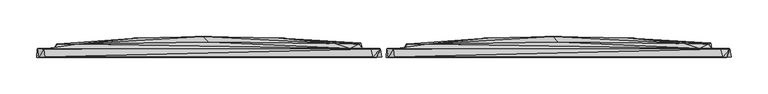
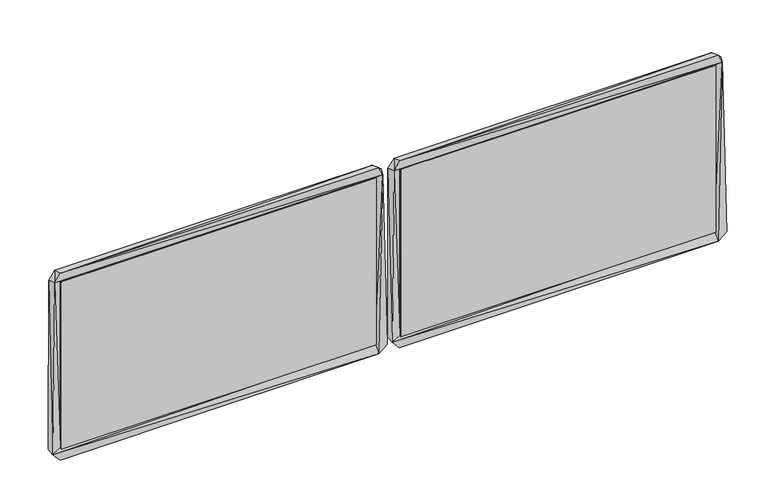
"""IFC4 building model written with IfcOpenShell, lengths in millimetres: furniture geometry."""

from ifc_helpers import new_model, si_unit, origin, place, context, project, spatial, triangles, source, transform, mapped, element, save


def furniture_aabd88ed(model_context):
    return source(origin(), model_context, "Body", "Tessellation", [
        triangles([(3.9935707, -14.3163182, 12.5377431), (459.7087858, -9.6162394, 15.2376646), (17.1935703, -9.6163166, 15.2377418), (14.0935779, -14.4163144, 1.1377422), (462.2087786, -14.2162369, 1.9376638), (6.6936162, -14.5163616, 266.9571427), (4.4935643, -2.7163188, 13.1377462), (4.4936091, -3.2163635, 264.5571257), (17.593563, -3.2163141, 2.1377434), (28.9935768, -2.1163188, 38.9276611), (17.1936158, -9.6163598, 263.7571382), (461.9087605, -2.8162366, 2.4376658), (46.4947365, -2.0163124, 21.8377386), (434.2076171, -2.0162444, 23.9376695), (50.5947315, 4.0836874, 26.0377366), (434.0076293, 3.8837547, 27.6376708), (31.3935734, 4.0836809, 41.7276628), (142.7982605, 12.383685, 125.4974179), (249.0017525, 11.6837152, 68.6175504), (333.8041162, 12.3837145, 150.2973849), (446.0087863, 5.0837433, 95.8074514), (447.7088279, -2.1162815, 237.8671487), (472.3087435, -2.7162368, 12.7376639), (467.908794, -14.6162817, 266.4570824), (459.7088222, -9.6162826, 263.7570837), (474.4087606, -13.9162359, 11.8376609), (472.5088039, -3.0162809, 266.2570765), (28.2936105, -2.1163541, 241.8672134), (32.1936154, 4.0836465, 238.2672152), (230.6006046, 14.1836966, 151.0973996), (443.6088238, 4.0837192, 237.7671367), (60.9947735, 4.0836494, 254.6571123), (237.8006194, 6.7836793, 254.7571062), (410.9076585, 4.3837094, 254.9570758), (13.3936104, -2.9163631, 276.2571201), (431.3076851, -2.1162872, 257.3570565), (459.3088102, -3.2162863, 276.8570835), (14.6936173, -14.2163629, 278.2571252), (462.4088027, -14.2162857, 278.2570707), (-472.9370481, -14.3163182, 12.5378021), (-17.2218378, -9.6162394, 15.2377247), (-459.7370544, -9.6163166, 15.237802), (-462.8370469, -14.4163144, 1.1378018), (-14.7218405, -14.2162369, 1.9377234), (-470.2370313, -14.5163616, 266.9571972), (-472.4370423, -2.7163188, 13.1378064), (-472.437006, -3.2163635, 264.5571802), (-459.3370425, -3.2163141, 2.137803), (-447.937048, -2.1163188, 38.9277247), (-459.7370181, -9.6163598, 263.7571927), (-15.0218461, -2.8162366, 2.4377254), (-430.4358996, -2.0163124, 21.8377999), (-42.7230145, -2.0162444, 23.9377285), (-426.3358592, 4.0836874, 26.0377979), (-42.9230023, 3.8837547, 27.6377321), (-445.5370128, 4.0836809, 41.7277219), (-334.1323666, 12.383685, 125.4974724), (-227.9288564, 11.6837152, 68.617614), (-143.1265199, 12.3837145, 150.2974485), (-30.9218317, 5.0837433, 95.8075059), (-29.2218037, -2.1162815, 237.8672032), (-4.6218484, -2.7162368, 12.737724), (-9.0218035, -14.6162817, 266.4571369), (-17.2217936, -9.6162826, 263.7571382), (-2.5218429, -13.9162359, 11.8377211), (-4.4218004, -3.0162809, 266.257131), (-448.6370052, -2.1163541, 241.8672679), (-444.7370253, 4.0836465, 238.2672697), (-246.3300043, 14.1836966, 151.0974632), (-33.3217987, 4.0837192, 237.7672093), (-415.9358399, 4.0836494, 254.6571849), (-239.1299895, 6.7836793, 254.7571607), (-66.022964, 4.3837094, 254.9571485), (-463.5370042, -2.9163631, 276.2571928), (-45.6229601, -2.1162872, 257.3571291), (-17.6217998, -3.2162863, 276.857138), (-462.2370109, -14.2163629, 278.2571979), (-14.5218073, -14.2162857, 278.2571252)], [[1, 2, 3], [1, 4, 5], [1, 3, 6], [1, 7, 4], [1, 8, 7], [1, 6, 8], [1, 5, 2], [7, 9, 4], [7, 10, 9], [7, 8, 10], [4, 9, 5], [3, 2, 11], [3, 11, 6], [9, 12, 5], [9, 13, 12], [9, 10, 13], [13, 14, 12], [13, 10, 15], [13, 15, 16], [13, 16, 14], [15, 17, 18], [15, 18, 19], [15, 10, 17], [15, 19, 16], [16, 19, 20], [16, 20, 21], [16, 21, 14], [14, 21, 22], [14, 23, 12], [14, 22, 23], [2, 5, 24], [2, 25, 11], [2, 24, 25], [12, 23, 26], [12, 26, 5], [5, 26, 24], [23, 27, 26], [23, 22, 27], [26, 27, 24], [10, 8, 28], [10, 28, 17], [17, 28, 29], [17, 29, 18], [19, 18, 30], [19, 30, 20], [21, 20, 31], [21, 31, 22], [18, 29, 32], [18, 32, 30], [30, 32, 33], [30, 33, 34], [30, 34, 20], [20, 34, 31], [28, 8, 35], [28, 35, 32], [28, 32, 29], [31, 36, 22], [31, 34, 36], [22, 36, 37], [22, 37, 27], [8, 6, 35], [6, 24, 38], [6, 38, 35], [6, 11, 24], [35, 38, 37], [35, 36, 32], [35, 37, 36], [38, 24, 39], [38, 39, 37], [11, 25, 24], [32, 36, 33], [33, 36, 34], [37, 39, 27], [39, 24, 27], [40, 41, 42], [40, 43, 44], [40, 42, 45], [40, 46, 43], [40, 47, 46], [40, 45, 47], [40, 44, 41], [46, 48, 43], [46, 49, 48], [46, 47, 49], [43, 48, 44], [42, 41, 50], [42, 50, 45], [48, 51, 44], [48, 52, 51], [48, 49, 52], [52, 53, 51], [52, 49, 54], [52, 54, 55], [52, 55, 53], [54, 56, 57], [54, 57, 58], [54, 49, 56], [54, 58, 55], [55, 58, 59], [55, 59, 60], [55, 60, 53], [53, 60, 61], [53, 62, 51], [53, 61, 62], [41, 44, 63], [41, 64, 50], [41, 63, 64], [51, 62, 65], [51, 65, 44], [44, 65, 63], [62, 66, 65], [62, 61, 66], [65, 66, 63], [49, 47, 67], [49, 67, 56], [56, 67, 68], [56, 68, 57], [58, 57, 69], [58, 69, 59], [60, 59, 70], [60, 70, 61], [57, 68, 71], [57, 71, 69], [69, 71, 72], [69, 72, 73], [69, 73, 59], [59, 73, 70], [67, 47, 74], [67, 74, 71], [67, 71, 68], [70, 75, 61], [70, 73, 75], [61, 75, 76], [61, 76, 66], [47, 45, 74], [45, 63, 77], [45, 77, 74], [45, 50, 63], [74, 77, 76], [74, 75, 71], [74, 76, 75], [77, 63, 78], [77, 78, 76], [50, 64, 63], [71, 75, 72], [72, 75, 73], [76, 78, 66], [78, 63, 66]]),
        triangles([(459.7273893, -11.3309899, 15.1999136), (459.7274257, -11.331033, 263.7455473), (459.7273893, -12.4309897, 15.1999136), (459.7274257, -12.4310329, 263.7455473), (17.2426703, -12.4311112, 263.7456018), (17.2426703, -11.3311114, 263.7456018), (17.2426249, -11.3310671, 15.199992), (17.2426249, -12.4310669, 15.1999909)], [[1, 2, 3], [3, 2, 4], [5, 4, 2], [5, 2, 6], [7, 1, 3], [7, 3, 8], [7, 6, 1], [7, 8, 5], [7, 5, 6], [8, 3, 4], [8, 4, 5], [1, 6, 2]]),
        triangles([(-17.2032264, -11.3309899, 15.1999727), (-17.2031821, -11.331033, 263.7456018), (-17.2032264, -12.4309897, 15.1999727), (-17.2031821, -12.4310329, 263.7456018), (-459.6879659, -12.4311112, 263.7456745), (-459.6879659, -11.3311114, 263.7456745), (-459.6880022, -11.3310671, 15.200051), (-459.6880022, -12.4310669, 15.200051)], [[1, 2, 3], [3, 2, 4], [5, 4, 2], [5, 2, 6], [7, 1, 3], [7, 3, 8], [7, 6, 1], [7, 8, 5], [7, 5, 6], [8, 3, 4], [8, 4, 5], [1, 6, 2]]),
    ])


if __name__ == "__main__":
    model = new_model("IFC4")
    model_context = context("Model", 3, world=origin())
    ifc_project = project(units=[si_unit("LENGTHUNIT", "METRE", prefix="MILLI")], contexts=[model_context])
    site = spatial("IfcSite", under=ifc_project)
    building = spatial("IfcBuilding", under=site)
    placement = place(None, origin())
    furniture_shape = furniture_aabd88ed(model_context)
    element("IfcFurniture", 1, at=placement, inside=building, context=model_context, shape_type="MappedRepresentation", body=[
        mapped(furniture_shape, transform((0.0, 0.0, 0.0), x_axis=(1.0, 0.0, 0.0), y_axis=(0.0, 1.0, 0.0), z_axis=(0.0, 0.0, 1.0))),
    ])
    save(model, "model.ifc")
